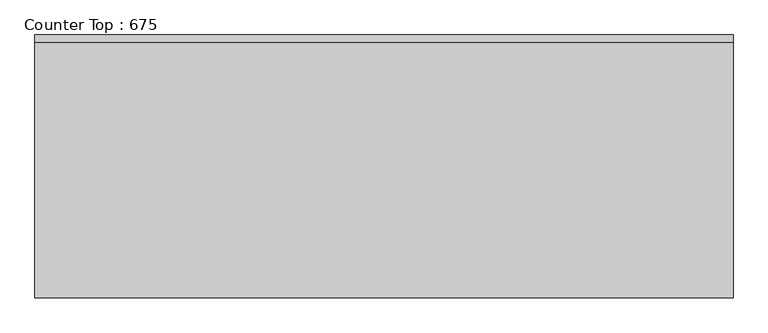
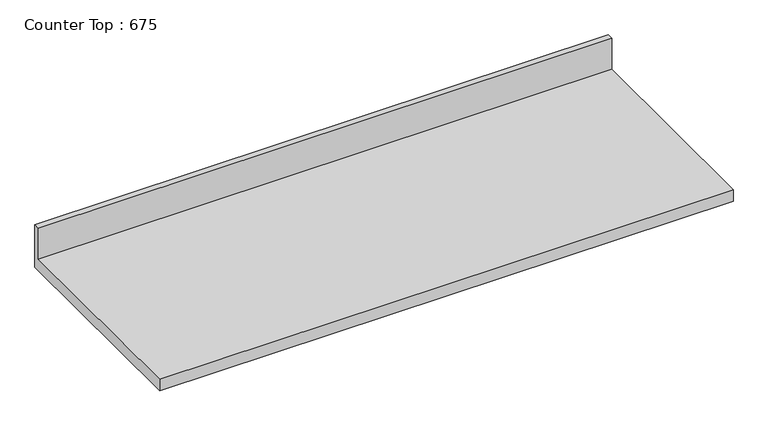
"""IFC4 building model written with IfcOpenShell, lengths in millimetres: furniture geometry, Counter Top : 675."""

from ifc_helpers import new_model, si_unit, frame, origin, place, context, project, spatial, polyline, outline, extrude, source, transform, mapped, element, save


def counter_top_675_085700be(model_context):
    return source(origin(), model_context, "Body", "SweptSolid", [
        extrude(outline(polyline([(0.0, 1016.0), (0.0, 876.3), (-675.0, 876.3), (-675.0, 914.4), (-19.05, 914.4), (-19.05, 1016.0), (0.0, 1016.0)])), frame((-1200.4622951, 0.0, 0.0), z_axis=(1.0, 0.0, 0.0), x_axis=(0.0, 1.0, 0.0)), (0.0, 0.0, 1.0), 1792.8503098),
    ])


if __name__ == "__main__":
    model = new_model("IFC4")
    model_context = context("Model", 3, world=origin())
    ifc_project = project(units=[si_unit("LENGTHUNIT", "METRE", prefix="MILLI")], contexts=[model_context])
    site = spatial("IfcSite", under=ifc_project)
    building = spatial("IfcBuilding", under=site)
    placement = place(None, origin())
    counter_top_675_shape = counter_top_675_085700be(model_context)
    element("IfcFurniture", 1, ObjectType="Counter Top : 675", at=placement, inside=building, context=model_context, shape_type="MappedRepresentation", body=[
        mapped(counter_top_675_shape, transform((0.0, 0.0, 0.0), x_axis=(1.0, 0.0, 0.0), y_axis=(0.0, 1.0, 0.0), z_axis=(0.0, 0.0, 1.0))),
    ])
    save(model, "model.ifc")
